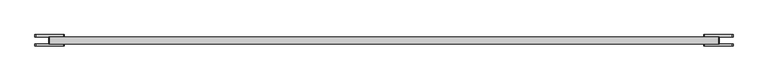
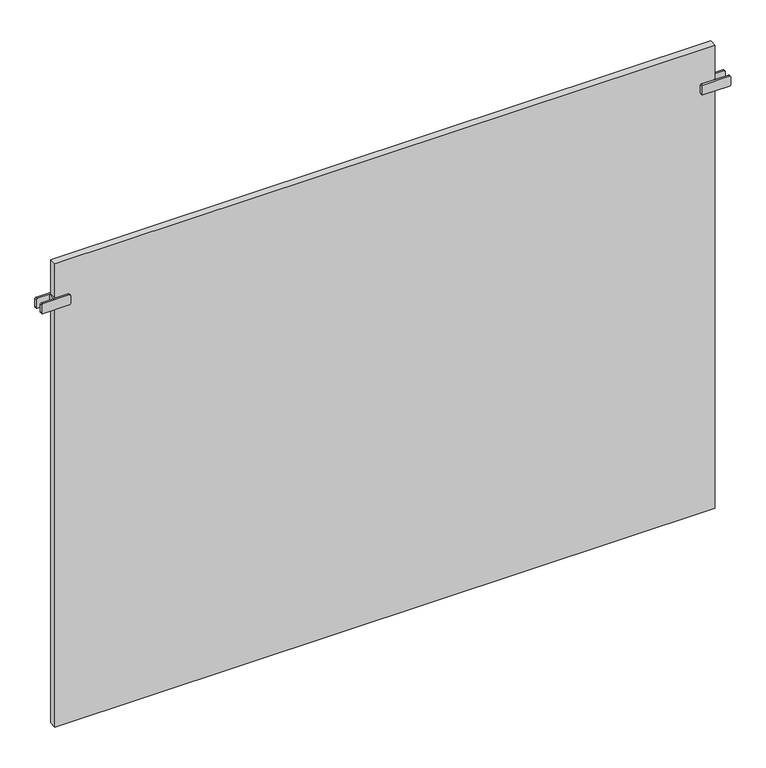
"""IFC4 building model written with IfcOpenShell, lengths in millimetres: plate geometry."""

from ifc_helpers import new_model, si_unit, point, frame, frame_2d, origin, origin_with_axes, place, context, project, spatial, polyline, circle_curve, trimmed, segment, composite_curve, outline, extrude, source, transform, mapped, element, save


def plate_d71d54bd(model_context):
    return source(origin(), model_context, "Body", "SweptSolid", [
        extrude(outline(polyline([(-797.5000001, -8.75), (-797.5000001, 8.75), (-792.5000001, 8.75), (-792.5000001, -8.75), (-797.5000001, -8.75)])), frame((0.0, 0.0, 1066.5), z_axis=(0.0, 0.0, 1.0), x_axis=(1.0, 0.0, 0.0)), (0.0, 0.0, 1.0), 25.0),
        extrude(outline(composite_curve([segment(trimmed(circle_curve(frame_2d((1069.5, -763.0000001)), 3.0), [point((1066.5, -763.0000001))], [point((1069.5, -760.0000001))], False, "CARTESIAN"), True, "CONTINUOUS"), segment(polyline([(1069.5, -760.0000001), (1088.5, -760.0000001)]), True, "CONTINUOUS"), segment(trimmed(circle_curve(frame_2d((1088.5, -763.0000001)), 3.0), [point((1088.5, -760.0000001))], [point((1091.5, -763.0000001))], False, "CARTESIAN"), True, "CONTINUOUS"), segment(polyline([(1091.5, -763.0000001), (1091.5, -827.0000001)]), True, "CONTINUOUS"), segment(trimmed(circle_curve(frame_2d((1088.5, -827.0000001)), 3.0), [point((1091.5, -827.0000001))], [point((1088.5, -830.0000001))], False, "CARTESIAN"), True, "CONTINUOUS"), segment(polyline([(1088.5, -830.0000001), (1069.5, -830.0000001)]), True, "CONTINUOUS"), segment(trimmed(circle_curve(frame_2d((1069.5, -827.0000001)), 3.0), [point((1069.5, -830.0000001))], [point((1066.5, -827.0000001))], False, "CARTESIAN"), True, "CONTINUOUS"), segment(polyline([(1066.5, -827.0000001), (1066.5, -763.0000001)]), True, "CONTINUOUS")], self_intersect=False)), frame((0.0, 8.75, 0.0), z_axis=(0.0, 1.0, 0.0), x_axis=(0.0, 0.0, 1.0)), (0.0, 0.0, 1.0), 5.0),
        extrude(outline(composite_curve([segment(trimmed(circle_curve(frame_2d((1069.5, -763.0000001)), 3.0), [point((1066.5, -763.0000001))], [point((1069.5, -760.0000001))], False, "CARTESIAN"), True, "CONTINUOUS"), segment(polyline([(1069.5, -760.0000001), (1088.5, -760.0000001)]), True, "CONTINUOUS"), segment(trimmed(circle_curve(frame_2d((1088.5, -763.0000001)), 3.0), [point((1088.5, -760.0000001))], [point((1091.5, -763.0000001))], False, "CARTESIAN"), True, "CONTINUOUS"), segment(polyline([(1091.5, -763.0000001), (1091.5, -827.0000001)]), True, "CONTINUOUS"), segment(trimmed(circle_curve(frame_2d((1088.5, -827.0000001)), 3.0), [point((1091.5, -827.0000001))], [point((1088.5, -830.0000001))], False, "CARTESIAN"), True, "CONTINUOUS"), segment(polyline([(1088.5, -830.0000001), (1069.5, -830.0000001)]), True, "CONTINUOUS"), segment(trimmed(circle_curve(frame_2d((1069.5, -827.0000001)), 3.0), [point((1069.5, -830.0000001))], [point((1066.5, -827.0000001))], False, "CARTESIAN"), True, "CONTINUOUS"), segment(polyline([(1066.5, -827.0000001), (1066.5, -763.0000001)]), True, "CONTINUOUS")], self_intersect=False)), frame((0.0, -13.75, 0.0), z_axis=(0.0, 1.0, 0.0), x_axis=(0.0, 0.0, 1.0)), (0.0, 0.0, 1.0), 5.0),
        extrude(outline(polyline([(797.5000001, -8.75), (792.5000001, -8.75), (792.5000001, 8.75), (797.5000001, 8.75), (797.5000001, -8.75)])), frame((0.0, 0.0, 1066.5), z_axis=(0.0, 0.0, 1.0), x_axis=(1.0, 0.0, 0.0)), (0.0, 0.0, 1.0), 25.0),
        extrude(outline(composite_curve([segment(polyline([(1066.5, 763.0000001), (1066.5, 827.0000001)]), True, "CONTINUOUS"), segment(trimmed(circle_curve(frame_2d((1069.5, 827.0000001)), 3.0), [point((1066.5, 827.0000001))], [point((1069.5, 830.0000001))], False, "CARTESIAN"), True, "CONTINUOUS"), segment(polyline([(1069.5, 830.0000001), (1088.5, 830.0000001)]), True, "CONTINUOUS"), segment(trimmed(circle_curve(frame_2d((1088.5, 827.0000001)), 3.0), [point((1088.5, 830.0000001))], [point((1091.5, 827.0000001))], False, "CARTESIAN"), True, "CONTINUOUS"), segment(polyline([(1091.5, 827.0000001), (1091.5, 763.0000001)]), True, "CONTINUOUS"), segment(trimmed(circle_curve(frame_2d((1088.5, 763.0000001)), 3.0), [point((1091.5, 763.0000001))], [point((1088.5, 760.0000001))], False, "CARTESIAN"), True, "CONTINUOUS"), segment(polyline([(1088.5, 760.0000001), (1069.5, 760.0000001)]), True, "CONTINUOUS"), segment(trimmed(circle_curve(frame_2d((1069.5, 763.0000001)), 3.0), [point((1069.5, 760.0000001))], [point((1066.5, 763.0000001))], False, "CARTESIAN"), True, "CONTINUOUS")], self_intersect=False)), frame((0.0, 8.75, 0.0), z_axis=(0.0, 1.0, 0.0), x_axis=(0.0, 0.0, 1.0)), (0.0, 0.0, 1.0), 5.0),
        extrude(outline(composite_curve([segment(polyline([(1066.5, 763.0000001), (1066.5, 827.0000001)]), True, "CONTINUOUS"), segment(trimmed(circle_curve(frame_2d((1069.5, 827.0000001)), 3.0), [point((1066.5, 827.0000001))], [point((1069.5, 830.0000001))], False, "CARTESIAN"), True, "CONTINUOUS"), segment(polyline([(1069.5, 830.0000001), (1088.5, 830.0000001)]), True, "CONTINUOUS"), segment(trimmed(circle_curve(frame_2d((1088.5, 827.0000001)), 3.0), [point((1088.5, 830.0000001))], [point((1091.5, 827.0000001))], False, "CARTESIAN"), True, "CONTINUOUS"), segment(polyline([(1091.5, 827.0000001), (1091.5, 763.0000001)]), True, "CONTINUOUS"), segment(trimmed(circle_curve(frame_2d((1088.5, 763.0000001)), 3.0), [point((1091.5, 763.0000001))], [point((1088.5, 760.0000001))], False, "CARTESIAN"), True, "CONTINUOUS"), segment(polyline([(1088.5, 760.0000001), (1069.5, 760.0000001)]), True, "CONTINUOUS"), segment(trimmed(circle_curve(frame_2d((1069.5, 763.0000001)), 3.0), [point((1069.5, 760.0000001))], [point((1066.5, 763.0000001))], False, "CARTESIAN"), True, "CONTINUOUS")], self_intersect=False)), frame((0.0, -13.75, 0.0), z_axis=(0.0, 1.0, 0.0), x_axis=(0.0, 0.0, 1.0)), (0.0, 0.0, 1.0), 5.0),
        extrude(outline(polyline([(795.0000001, 8.75), (795.0000001, -8.75), (-795.0000001, -8.75), (-795.0000001, 8.75), (795.0000001, 8.75)])), origin_with_axes(), (0.0, 0.0, 1.0), 1179.0),
    ])


if __name__ == "__main__":
    model = new_model("IFC4")
    model_context = context("Model", 3, world=origin())
    ifc_project = project(units=[si_unit("LENGTHUNIT", "METRE", prefix="MILLI")], contexts=[model_context])
    site = spatial("IfcSite", under=ifc_project)
    building = spatial("IfcBuilding", under=site)
    placement = place(None, origin())
    plate_shape = plate_d71d54bd(model_context)
    element("IfcPlate", 1, at=placement, inside=building, context=model_context, shape_type="MappedRepresentation", body=[
        mapped(plate_shape, transform((0.0, 0.0, 0.0), x_axis=(1.0, 0.0, 0.0), y_axis=(0.0, 1.0, 0.0), z_axis=(0.0, 0.0, 1.0))),
    ])
    save(model, "model.ifc")
